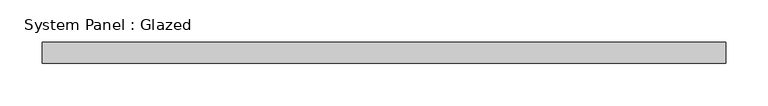
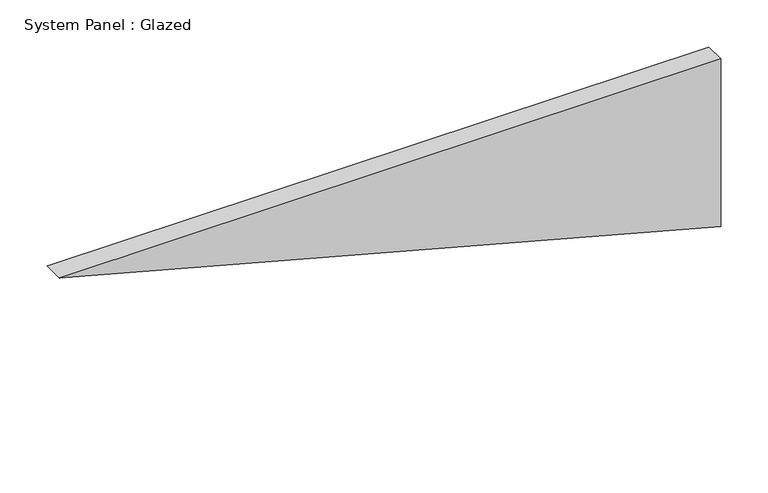
"""IFC4 building model written with IfcOpenShell, lengths in millimetres: plate geometry, System Panel : Glazed."""

from ifc_helpers import new_model, si_unit, frame, origin, place, context, project, spatial, polyline, outline, extrude, source, transform, mapped, element, save


def system_panel_glazed_0ec6cc97(model_context):
    return source(origin(), model_context, "Body", "SweptSolid", [
        extrude(outline(polyline([(216.6371263, -404.2503811), (0.0, 404.2503811), (216.6371263, 404.2503811), (216.6371263, -404.2503811)])), frame((0.0, -22.5, 0.0), z_axis=(0.0, 1.0, 0.0), x_axis=(0.0, 0.0, 1.0)), (0.0, 0.0, 1.0), 25.0),
    ])


if __name__ == "__main__":
    model = new_model("IFC4")
    model_context = context("Model", 3, world=origin())
    ifc_project = project(units=[si_unit("LENGTHUNIT", "METRE", prefix="MILLI")], contexts=[model_context])
    site = spatial("IfcSite", under=ifc_project)
    building = spatial("IfcBuilding", under=site)
    placement = place(None, origin())
    system_panel_glazed_shape = system_panel_glazed_0ec6cc97(model_context)
    element("IfcPlate", 1, ObjectType="System Panel : Glazed", at=placement, inside=building, context=model_context, shape_type="MappedRepresentation", body=[
        mapped(system_panel_glazed_shape, transform((0.0, 0.0, 0.0), x_axis=(1.0, 0.0, 0.0), y_axis=(0.0, 1.0, 0.0), z_axis=(0.0, 0.0, 1.0))),
    ])
    save(model, "model.ifc")
